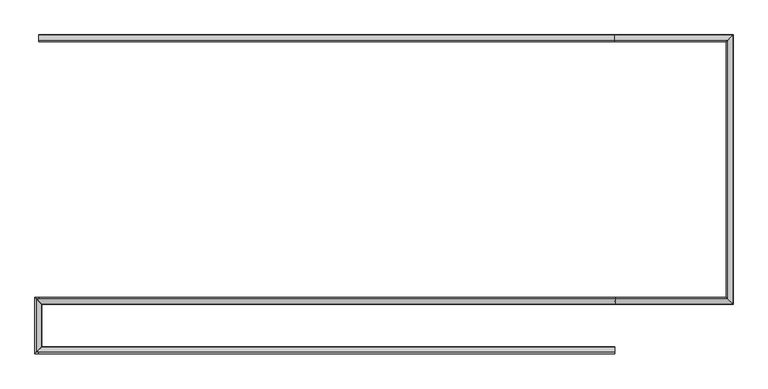
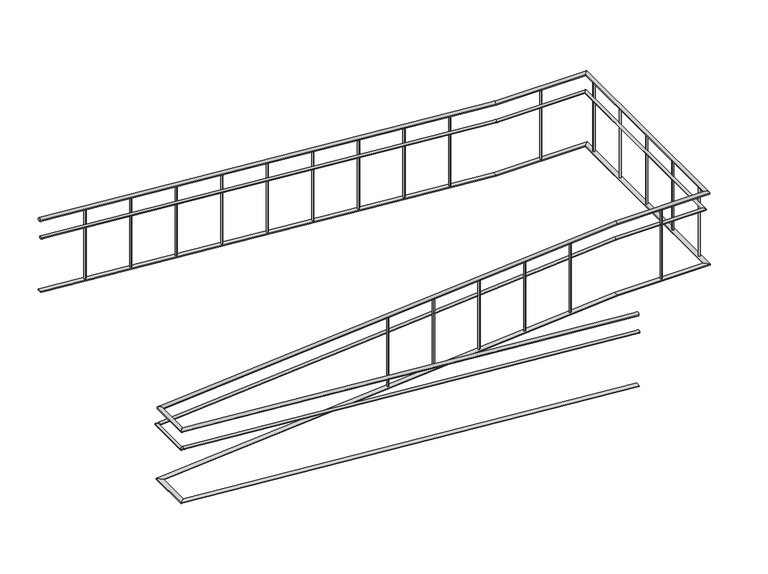
"""IFC4 building model written with IfcOpenShell, lengths in millimetres: railing geometry."""

import ifcopenshell
import ifcopenshell.guid

model = None  # the IFC model being written
_history = None  # IfcOwnerHistory: only IFC2X3 demands one
_inside = {}  # id of a spatial element -> (the spatial element, [elements in it])
_under = {}  # id of a project, library or spatial element -> (it, [spatial elements below it])
_declared = {}  # id of a project -> (the project, [libraries it declares])
_typed = {}  # id of a type object -> (the type object, [elements of that type])
_made_of = {}  # id of a material, layer set ... -> (it, [elements and type objects made of it])


def new_model(schema):
    """Start an empty IFC model of exactly this schema.

    Asked for "IFC4X3", IfcOpenShell would pick the latest addendum, in which some entities
    have other attributes; the version numbers below select the first issue.
    IFC2X3 requires an IfcOwnerHistory on every rooted entity: one is made here for all.
    """
    global model, _history
    if schema == "IFC4X3":
        model = ifcopenshell.file(schema_version=(4, 3, 0, 0))
    else:
        model = ifcopenshell.file(schema=schema)
    _inside.clear()
    _under.clear()
    _declared.clear()
    _typed.clear()
    _made_of.clear()
    _history = None
    if model.schema == "IFC2X3":
        org = make("IfcOrganization", Name="unknown")
        user = make(
            "IfcPersonAndOrganization",
            ThePerson=make("IfcPerson", FamilyName="unknown"),
            TheOrganization=org,
        )
        app = make(
            "IfcApplication",
            ApplicationDeveloper=org,
            Version="unknown",
            ApplicationFullName="unknown",
            ApplicationIdentifier="unknown",
        )
        _history = make(
            "IfcOwnerHistory",
            OwningUser=user,
            OwningApplication=app,
            ChangeAction="ADDED",
            CreationDate=0,
        )
    return model


def make(cls, **values):
    """One entity of the class cls with the attributes given. An attribute that is None is left unset."""
    return model.create_entity(
        cls, **{name: value for name, value in values.items() if value is not None}
    )


def rooted(cls, **values):
    """An entity with a GlobalId (a new one), such as an element, a storey or a relation."""
    return make(cls, GlobalId=ifcopenshell.guid.new(), OwnerHistory=_history, **values)


def si_unit(unit_type, name, prefix=None):
    """IfcSIUnit, for example si_unit("LENGTHUNIT", "METRE", prefix="MILLI")."""
    return make("IfcSIUnit", UnitType=unit_type, Prefix=prefix, Name=name)


def assignment(units):
    """IfcUnitAssignment: the units of a project."""
    return None if units is None else make("IfcUnitAssignment", Units=units)


def point(xyz):
    """IfcCartesianPoint."""
    return None if xyz is None else make("IfcCartesianPoint", Coordinates=xyz)


def direction(xyz):
    """IfcDirection."""
    return None if xyz is None else make("IfcDirection", DirectionRatios=xyz)


def frame(location, z_axis=None, x_axis=None):
    """IfcAxis2Placement3D, a coordinate frame: its origin and axes. An axis left out is left unset."""
    return make(
        "IfcAxis2Placement3D",
        Location=point(location),
        Axis=direction(z_axis),
        RefDirection=direction(x_axis),
    )


def frame_2d(location, x_axis=None):
    """IfcAxis2Placement2D, a coordinate frame in the plane: its origin and x axis."""
    return make(
        "IfcAxis2Placement2D", Location=point(location), RefDirection=direction(x_axis)
    )


def origin():
    """The frame at (0, 0, 0) with its axes left unset."""
    return frame((0.0, 0.0, 0.0))


def place(relative_to, where):
    """IfcLocalPlacement: puts the frame where relative to a parent placement (None: the world)."""
    return make(
        "IfcLocalPlacement", PlacementRelTo=relative_to, RelativePlacement=where
    )


def context(
    kind, dimensions, precision=None, world=None, true_north=None, identifier=None
):
    """IfcGeometricRepresentationContext, for example the 3D "Model" context."""
    return make(
        "IfcGeometricRepresentationContext",
        ContextIdentifier=identifier,
        ContextType=kind,
        CoordinateSpaceDimension=dimensions,
        Precision=precision,
        WorldCoordinateSystem=world,
        TrueNorth=true_north,
    )


def project(units=None, contexts=None):
    """IfcProject with its units and contexts."""
    return rooted(
        "IfcProject",
        Name="project",
        RepresentationContexts=contexts,
        UnitsInContext=assignment(units),
    )


def spatial(cls, under=None, at=None, **own):
    """A site, building, storey or space (cls), placed at a placement, below another one or the project."""
    s = rooted(cls, ObjectPlacement=at, **own)
    if under is not None:
        _under.setdefault(under.id(), (under, []))[1].append(s)
    return s


def circle_curve(where, radius):
    """IfcCircle in the frame where."""
    return make("IfcCircle", Position=where, Radius=radius)


def ellipse_curve(where, semi_axis1, semi_axis2):
    """IfcEllipse in the frame where."""
    return make(
        "IfcEllipse", Position=where, SemiAxis1=semi_axis1, SemiAxis2=semi_axis2
    )


def trimmed(basis, trim1, trim2, sense, master):
    """IfcTrimmedCurve: the piece of a basis curve between two trims."""
    return make(
        "IfcTrimmedCurve",
        BasisCurve=basis,
        Trim1=trim1,
        Trim2=trim2,
        SenseAgreement=sense,
        MasterRepresentation=master,
    )


def segment(curve, same_sense, transition):
    """IfcCompositeCurveSegment."""
    return make(
        "IfcCompositeCurveSegment",
        Transition=transition,
        SameSense=same_sense,
        ParentCurve=curve,
    )


def composite_curve(segments, self_intersect=None):
    """IfcCompositeCurve: segments joined end to end."""
    return make("IfcCompositeCurve", Segments=segments, SelfIntersect=self_intersect)


def outline(outer, holes=None, kind="AREA"):
    """IfcArbitraryClosedProfileDef: a profile drawn as a closed curve; with holes, ...WithVoids."""
    if holes is None:
        return make("IfcArbitraryClosedProfileDef", ProfileType=kind, OuterCurve=outer)
    return make(
        "IfcArbitraryProfileDefWithVoids",
        ProfileType=kind,
        OuterCurve=outer,
        InnerCurves=holes,
    )


def extrude(swept, where, along, depth):
    """IfcExtrudedAreaSolid: the profile swept, set in the frame where, extruded along a direction by depth."""
    return make(
        "IfcExtrudedAreaSolid",
        SweptArea=swept,
        Position=where,
        ExtrudedDirection=direction(along),
        Depth=depth,
    )


def faces_of(points, faces, orient=None, outer=None):
    """IfcFace entities. A face is a list of loops; a loop is a list of indices into points, from 0.

    orient and outer hold one flag for each loop. By default every Orientation is true, the
    first loop of a face is its IfcFaceOuterBound and the others are IfcFaceBound.
    """
    made = []
    for i, loops in enumerate(faces):
        bounds = []
        for j, loop in enumerate(loops):
            is_outer = j == 0 if outer is None else outer[i][j]
            bounds.append(
                make(
                    "IfcFaceOuterBound" if is_outer else "IfcFaceBound",
                    Bound=make("IfcPolyLoop", Polygon=[points[k] for k in loop]),
                    Orientation=True if orient is None else orient[i][j],
                )
            )
        made.append(make("IfcFace", Bounds=bounds))
    return made


def faceted_brep(points, faces, orient=None, outer=None, voids=None):
    """IfcFacetedBrep: a solid bounded by flat faces; with voids (closed shells), ...WithVoids."""
    shared = [point(p) for p in points]
    hull = make("IfcClosedShell", CfsFaces=faces_of(shared, faces, orient, outer))
    if voids is None:
        return make("IfcFacetedBrep", Outer=hull)
    return make(
        "IfcFacetedBrepWithVoids",
        Outer=hull,
        Voids=[
            make(cls, CfsFaces=faces_of(shared, fs, o, b)) for cls, fs, o, b in voids
        ],
    )


def shape(context_of_items, identifier, shape_type, items):
    """IfcShapeRepresentation: the items that make up one representation, for example the "Body"."""
    return make(
        "IfcShapeRepresentation",
        ContextOfItems=context_of_items,
        RepresentationIdentifier=identifier,
        RepresentationType=shape_type,
        Items=items,
    )


def source(mapping_origin, context_of_items, identifier, shape_type, items):
    """IfcRepresentationMap: a shape defined once, which mapped items show again and again."""
    return make(
        "IfcRepresentationMap",
        MappingOrigin=mapping_origin,
        MappedRepresentation=shape(context_of_items, identifier, shape_type, items),
    )


def transform(
    local_origin,
    x_axis=None,
    y_axis=None,
    z_axis=None,
    scale=None,
    scale2=None,
    scale3=None,
    uniform=True,
):
    """IfcCartesianTransformationOperator3D, or its non-uniform kind. x_axis, y_axis, z_axis: its Axis1, 2, 3."""
    if uniform:
        return make(
            "IfcCartesianTransformationOperator3D",
            Axis1=direction(x_axis),
            Axis2=direction(y_axis),
            LocalOrigin=point(local_origin),
            Scale=scale,
            Axis3=direction(z_axis),
        )
    return make(
        "IfcCartesianTransformationOperator3DnonUniform",
        Axis1=direction(x_axis),
        Axis2=direction(y_axis),
        LocalOrigin=point(local_origin),
        Scale=scale,
        Axis3=direction(z_axis),
        Scale2=scale2,
        Scale3=scale3,
    )


def mapped(mapping_source, mapping_target):
    """IfcMappedItem: shows the shape of a source again, moved by a transform."""
    return make(
        "IfcMappedItem", MappingSource=mapping_source, MappingTarget=mapping_target
    )


def made_of(thing, what):
    """Note that an element or type object is made of a material, layer set ...; save() writes the relation."""
    if what is not None:
        _made_of.setdefault(what.id(), (what, []))[1].append(thing)
    return thing


def element(
    cls,
    number,
    at=None,
    inside=None,
    cuts=None,
    type_object=None,
    material=None,
    context=None,
    identifier="Body",
    shape_type=None,
    held_by="IfcProductDefinitionShape",
    body=None,
    shapes=None,
    **own,
):
    """One element of the class cls, such as IfcWall. Its Tag is "e" and its number.

    at: its placement. inside: the storey or other place that contains it. cuts: it is an
    opening in that element (IfcRelVoidsElement). A single representation is given by context,
    identifier, shape_type and body (its items); several are given by shapes. held_by: the class
    of the entity that holds the representations. save() writes the other relations.
    """
    e = rooted(cls, Tag="e%d" % number, ObjectPlacement=at, **own)
    if body is not None:
        shapes = [shape(context, identifier, shape_type, body)]
    if shapes is not None:
        e.Representation = make(held_by, Representations=shapes)
    if inside is not None:
        _inside.setdefault(inside.id(), (inside, []))[1].append(e)
    if cuts is not None:
        rooted(
            "IfcRelVoidsElement", RelatingBuildingElement=cuts, RelatedOpeningElement=e
        )
    if type_object is not None:
        _typed.setdefault(type_object.id(), (type_object, []))[1].append(e)
    return made_of(e, material)


def aggregate(whole, parts):
    """IfcRelAggregates: a whole, such as a stair, and the parts it consists of."""
    return rooted("IfcRelAggregates", RelatingObject=whole, RelatedObjects=parts)


def save(model, path):
    """Write the relations noted so far, then the file.

    IfcRelAggregates (storeys below a building ...), IfcRelContainedInSpatialStructure (elements
    in a storey), IfcRelDefinesByType, IfcRelAssociatesMaterial and IfcRelDeclares: one each for
    every whole, place, type object, material and project.
    """
    for whole, parts in _under.values():
        aggregate(whole, parts)
    for where, things in _inside.values():
        rooted(
            "IfcRelContainedInSpatialStructure",
            RelatedElements=things,
            RelatingStructure=where,
        )
    for kind, things in _typed.values():
        rooted("IfcRelDefinesByType", RelatedObjects=things, RelatingType=kind)
    for what, things in _made_of.values():
        rooted("IfcRelAssociatesMaterial", RelatedObjects=things, RelatingMaterial=what)
    for by, libraries in _declared.values():
        rooted("IfcRelDeclares", RelatingContext=by, RelatedDefinitions=libraries)
    model.write(path)


def plane_surface(at):
    """IfcPlane: the flat surface through the origin of the frame at, square to its z axis."""
    return make("IfcPlane", Position=at)


def cylinder_surface(at, radius):
    """IfcCylindricalSurface: all points at the distance radius from the z axis of the frame at."""
    return make("IfcCylindricalSurface", Position=at, Radius=radius)


def advanced_brep(points, edges, surfaces, faces):
    """IfcAdvancedBrep: a solid bounded by faces that lie on surfaces and meet in shared edges.

    An edge is (start, end): straight between two places in points (the first is 0);
    or (start, end, curve); or (start, end, curve, False) where it runs against its curve.
    A face is (place in surfaces, loops), or (place, loops, False) where it looks against
    its surface's normal. A loop lists edges by number (the first is 1), with a minus sign
    where the edge is run from its end to its start. The first loop is the outer one.
    """
    corners = [point(p) for p in points]
    vertices = [make("IfcVertexPoint", VertexGeometry=c) for c in corners]
    made = []
    for start, end, *more in edges:
        made.append(
            make(
                "IfcEdgeCurve",
                EdgeStart=vertices[start],
                EdgeEnd=vertices[end],
                EdgeGeometry=more[0] if more else make("IfcPolyline", Points=[corners[start], corners[end]]),
                SameSense=more[1] if len(more) > 1 else True,
            )
        )
    hull = []
    for where, loops, *sense in faces:
        bounds = []
        for j, loop in enumerate(loops):
            ring = [make("IfcOrientedEdge", EdgeElement=made[abs(k) - 1], Orientation=k > 0) for k in loop]
            bounds.append(
                make(
                    "IfcFaceOuterBound" if j == 0 else "IfcFaceBound",
                    Bound=make("IfcEdgeLoop", EdgeList=ring),
                    Orientation=True,
                )
            )
        hull.append(make("IfcAdvancedFace", Bounds=bounds, FaceSurface=surfaces[where], SameSense=sense[0] if sense else True))
    return make("IfcAdvancedBrep", Outer=make("IfcClosedShell", CfsFaces=hull))


def railing_c0526a75(model_context):
    return source(origin(), model_context, "Body", "SolidModel", [
        advanced_brep(
        [(-20785.2208066, -20197.3113636, -320.0638979), (-20785.2208066, -20237.3113636, -320.0638979), (-25766.8794054, -20197.3113636, 78.46879), (-25806.7520166, -20237.3113636, 81.6585989)],
        [
            (0, 1, ellipse_curve(frame((-20785.2208066, -20217.3113636, -320.0638979), z_axis=(1.0, 0.0, 0.0), x_axis=(0.0, 0.0, -1.0)), 20.0638979, 20.0)),
            (1, 0, ellipse_curve(frame((-20785.2208066, -20217.3113636, -320.0638979), z_axis=(1.0, 0.0, 0.0), x_axis=(0.0, 0.0, -1.0)), 20.0638979, 20.0)),
            (2, 3, ellipse_curve(frame((-25786.815711, -20217.3113636, 80.0636944), z_axis=(-0.7048548430432531, 0.7071067811865457, 0.05638838744346014), x_axis=(0.7048548430432493, 0.7071067811865495, -0.056388387443460065)), 28.2842712, 20.0)),
            (3, 2, ellipse_curve(frame((-25786.815711, -20217.3113636, 80.0636944), z_axis=(-0.7048548430432531, 0.7071067811865457, 0.05638838744346014), x_axis=(0.7048548430432493, 0.7071067811865495, -0.056388387443460065)), 28.2842712, 20.0)),
            (1, 3),
            (2, 0),
        ],
        [
            plane_surface(frame((-20785.2208066, -20217.3113636, -300.0), z_axis=(1.0, 0.0, 0.0), x_axis=(0.0, -1.0, 0.0))),
            plane_surface(frame((-25785.2208066, -20217.3113636, 100.0), z_axis=(-0.7048548430432531, 0.7071067811865457, 0.05638838744346014), x_axis=(0.70935157026574, 0.7026242841491802, 0.05603092972083304))),
            cylinder_surface(frame((-20786.815711, -20217.3113636, -319.9363056), z_axis=(0.9968152785361251, 0.0, -0.07974522228289002), x_axis=(0.0, -1.0, 0.0)), 20.0),
        ],
        [
            (0, [[1, 2]]),
            (1, [[3, 4]]),
            (2, [[-2, 5, -3, 6]]),
            (2, [[-1, -6, -4, -5]]),
        ],
    ),
        advanced_brep(
        [(-25765.2208066, -20195.7801536, 80.0), (-25805.2208066, -20235.6527647, 80.0), (-25765.2208066, -19816.377555, 80.0), (-25805.2208066, -19776.5049439, 80.0)],
        [
            (0, 1, ellipse_curve(frame((-25785.2208066, -20215.7164591, 80.0), z_axis=(0.7048548430432531, -0.7071067811865457, -0.05638838744346014), x_axis=(-0.7048548430432493, -0.7071067811865495, 0.05638838744346004)), 28.2842712, 20.0)),
            (1, 0, ellipse_curve(frame((-25785.2208066, -20215.7164591, 80.0), z_axis=(0.7048548430432531, -0.7071067811865457, -0.05638838744346014), x_axis=(-0.7048548430432493, -0.7071067811865495, 0.05638838744346004)), 28.2842712, 20.0)),
            (2, 3, ellipse_curve(frame((-25785.2208066, -19796.4412495, 80.0), z_axis=(0.70485484304325, 0.7071067811865488, 0.05638838744346008), x_axis=(0.7048548430432525, -0.7071067811865462, 0.05638838744346007)), 28.2842712, 20.0)),
            (3, 2, ellipse_curve(frame((-25785.2208066, -19796.4412495, 80.0), z_axis=(0.70485484304325, 0.7071067811865488, 0.05638838744346008), x_axis=(0.7048548430432525, -0.7071067811865462, 0.05638838744346007)), 28.2842712, 20.0)),
            (1, 3),
            (2, 0),
        ],
        [
            plane_surface(frame((-25785.2208066, -20217.3113636, 100.0), z_axis=(0.7048548430432531, -0.7071067811865457, -0.05638838744346014), x_axis=(0.70935157026574, 0.7026242841491802, 0.05603092972083304))),
            plane_surface(frame((-25785.2208066, -19798.0361539, 100.0), z_axis=(0.70485484304325, 0.7071067811865488, 0.05638838744346008), x_axis=(0.7093515702657431, -0.7026242841491772, -0.05603092972083249))),
            cylinder_surface(frame((-25785.2208066, -20217.3113636, 80.0), z_axis=(0.0, -1.0, 0.0), x_axis=(-1.0, 0.0, 0.0)), 20.0),
        ],
        [
            (0, [[1, 2]]),
            (1, [[3, 4]]),
            (2, [[-2, 5, -3, 6]]),
            (2, [[-1, -6, -4, -5]]),
        ],
    ),
        advanced_brep(
        [(-25763.6895966, -19818.0361539, 81.6585989), (-25803.5622077, -19778.0361539, 78.46879), (-20784.4220825, -19778.0361539, 480.0), (-20784.4220825, -19818.0361539, 480.0), (-19805.2208066, -19778.0361539, 480.0), (-19765.2208066, -19818.0361539, 480.0), (-19805.2208066, -17526.8920513, 480.0), (-19765.2208066, -17486.8920513, 480.0), (-20786.0195307, -17526.8920513, 480.0), (-20786.0195307, -17486.8920513, 480.0), (-25785.2208066, -17486.8920513, 879.9361021), (-25785.2208066, -17526.8920513, 879.9361021)],
        [
            (0, 1, ellipse_curve(frame((-25783.6259021, -19798.0361539, 80.0636944), z_axis=(-0.70485484304325, -0.7071067811865488, -0.05638838744346008), x_axis=(-0.7048548430432522, 0.7071067811865465, -0.056388387443460086)), 28.2842712, 20.0)),
            (1, 0, ellipse_curve(frame((-25783.6259021, -19798.0361539, 80.0636944), z_axis=(-0.70485484304325, -0.7071067811865488, -0.05638838744346008), x_axis=(-0.7048548430432522, 0.7071067811865465, -0.056388387443460086)), 28.2842712, 20.0)),
            (1, 2),
            (2, 3, ellipse_curve(frame((-20784.4220825, -19798.0361539, 480.0), z_axis=(-0.9992035024298416, 0.0, -0.039904394895017514), x_axis=(0.039904394895016765, 0.0, -0.9992035024298418)), 20.0159426, 20.0)),
            (3, 0),
            (3, 2, ellipse_curve(frame((-20784.4220825, -19798.0361539, 480.0), z_axis=(-0.9992035024298416, 0.0, -0.039904394895017514), x_axis=(0.039904394895016765, 0.0, -0.9992035024298418)), 20.0159426, 20.0)),
            (2, 4),
            (4, 5, ellipse_curve(frame((-19785.2208066, -19798.0361539, 480.0), z_axis=(-0.7071067811865462, -0.7071067811865487, 0.0), x_axis=(-0.7071067811865488, 0.7071067811865461, 0.0)), 28.2842712, 20.0)),
            (5, 3),
            (5, 4, ellipse_curve(frame((-19785.2208066, -19798.0361539, 480.0), z_axis=(-0.7071067811865462, -0.7071067811865487, 0.0), x_axis=(-0.7071067811865488, 0.7071067811865461, 0.0)), 28.2842712, 20.0)),
            (4, 6),
            (6, 7, ellipse_curve(frame((-19785.2208066, -17506.8920513, 480.0), z_axis=(0.7071067811865487, -0.7071067811865462, 0.0), x_axis=(-0.7071067811865461, -0.7071067811865488, 0.0)), 28.2842712, 20.0)),
            (7, 5),
            (7, 6, ellipse_curve(frame((-19785.2208066, -17506.8920513, 480.0), z_axis=(0.7071067811865487, -0.7071067811865462, 0.0), x_axis=(-0.7071067811865461, -0.7071067811865488, 0.0)), 28.2842712, 20.0)),
            (6, 8),
            (8, 9, ellipse_curve(frame((-20786.0195307, -17506.8920513, 480.0), z_axis=(0.9992035024298416, 0.0, -0.039904394895017514), x_axis=(0.03990439489501955, 0.0, 0.9992035024298417)), 20.0159426, 20.0)),
            (9, 7),
            (9, 8, ellipse_curve(frame((-20786.0195307, -17506.8920513, 480.0), z_axis=(0.9992035024298416, 0.0, -0.039904394895017514), x_axis=(0.03990439489501955, 0.0, 0.9992035024298417)), 20.0159426, 20.0)),
            (10, 11, ellipse_curve(frame((-25785.2208066, -17506.8920513, 879.9361021), z_axis=(-1.0, 0.0, 0.0), x_axis=(0.0, 0.0, -1.0)), 20.0638979, 20.0)),
            (11, 10, ellipse_curve(frame((-25785.2208066, -17506.8920513, 879.9361021), z_axis=(-1.0, 0.0, 0.0), x_axis=(0.0, 0.0, -1.0)), 20.0638979, 20.0)),
            (8, 11),
            (10, 9),
        ],
        [
            plane_surface(frame((-25785.2208066, -19798.0361539, 100.0), z_axis=(-0.70485484304325, -0.7071067811865488, -0.05638838744346008), x_axis=(0.7093515702657431, -0.7026242841491772, -0.05603092972083249))),
            cylinder_surface(frame((-25783.6259021, -19798.0361539, 80.0636944), z_axis=(-0.9968152785361251, 0.0, -0.07974522228289), x_axis=(0.0, 1.0, 0.0)), 20.0),
            cylinder_surface(frame((-20785.2208066, -19798.0361539, 480.0), z_axis=(-1.0, 0.0, 0.0), x_axis=(0.0, 1.0, 0.0)), 20.0),
            cylinder_surface(frame((-19785.2208066, -19798.0361539, 480.0), z_axis=(0.0, -1.0, 0.0), x_axis=(-1.0, 0.0, 0.0)), 20.0),
            cylinder_surface(frame((-19785.2208066, -17506.8920513, 480.0), z_axis=(1.0, 0.0, 0.0), x_axis=(0.0, -1.0, 0.0)), 20.0),
            plane_surface(frame((-25785.2208066, -17506.8920513, 900.0), z_axis=(-1.0, 0.0, 0.0), x_axis=(0.0, -1.0, 0.0))),
            cylinder_surface(frame((-20786.815711, -17506.8920513, 480.0636944), z_axis=(0.9968152785361251, 0.0, -0.07974522228289), x_axis=(0.0, -1.0, 0.0)), 20.0),
        ],
        [
            (0, [[1, 2]]),
            (1, [[-2, 3, 4, 5]]),
            (1, [[-1, -5, 6, -3]]),
            (2, [[-4, 7, 8, 9]]),
            (2, [[-6, -9, 10, -7]]),
            (3, [[-8, 11, 12, 13]]),
            (3, [[-10, -13, 14, -11]]),
            (4, [[-12, 15, 16, 17]]),
            (4, [[-14, -17, 18, -15]]),
            (5, [[19, 20]]),
            (6, [[-16, 21, -19, 22]]),
            (6, [[-18, -22, -20, -21]]),
        ],
    ),
        advanced_brep(
        [(-20785.2208066, -20222.3113636, -515.0479234), (-20785.2208066, -20252.3113636, -515.0479234), (-25785.8198496, -20252.3113636, -115.0), (-25785.8198496, -20222.3113636, -115.0), (-25820.2208066, -20252.3113636, -115.0), (-25790.2208066, -20222.3113636, -115.0), (-25820.2208066, -19763.0361539, -115.0), (-25790.2208066, -19793.0361539, -115.0), (-25784.6217635, -19763.0361539, -115.0), (-25784.6217635, -19793.0361539, -115.0), (-20784.6217635, -19763.0361539, 285.0), (-20784.6217635, -19793.0361539, 285.0), (-19820.2208066, -19763.0361539, 285.0), (-19790.2208066, -19793.0361539, 285.0), (-19820.2208066, -17541.8920513, 285.0), (-19790.2208066, -17511.8920513, 285.0), (-20785.8198496, -17541.8920513, 285.0), (-20785.8198496, -17511.8920513, 285.0), (-25785.2208066, -17511.8920513, 684.9520766), (-25785.2208066, -17541.8920513, 684.9520766)],
        [
            (0, 1, ellipse_curve(frame((-20785.2208066, -20237.3113636, -515.0479234), z_axis=(1.0, 0.0, 0.0), x_axis=(0.0, 0.0, -1.0)), 15.0479234, 15.0)),
            (1, 0, ellipse_curve(frame((-20785.2208066, -20237.3113636, -515.0479234), z_axis=(1.0, 0.0, 0.0), x_axis=(0.0, 0.0, -1.0)), 15.0479234, 15.0)),
            (1, 2),
            (2, 3, ellipse_curve(frame((-25785.8198496, -20237.3113636, -115.0), z_axis=(0.9992035024298416, 0.0, -0.03990439489501753), x_axis=(-0.03990439489501675, 0.0, -0.9992035024298417)), 15.011957, 15.0)),
            (3, 0),
            (3, 2, ellipse_curve(frame((-25785.8198496, -20237.3113636, -115.0), z_axis=(0.9992035024298416, 0.0, -0.03990439489501753), x_axis=(-0.03990439489501675, 0.0, -0.9992035024298417)), 15.011957, 15.0)),
            (2, 4),
            (4, 5, ellipse_curve(frame((-25805.2208066, -20237.3113636, -115.0), z_axis=(0.7071067811865493, -0.7071067811865456, 0.0), x_axis=(0.7071067811865458, 0.7071067811865492, 0.0)), 21.2132034, 15.0)),
            (5, 3),
            (5, 4, ellipse_curve(frame((-25805.2208066, -20237.3113636, -115.0), z_axis=(0.7071067811865493, -0.7071067811865456, 0.0), x_axis=(0.7071067811865458, 0.7071067811865492, 0.0)), 21.2132034, 15.0)),
            (4, 6),
            (6, 7, ellipse_curve(frame((-25805.2208066, -19778.0361539, -115.0), z_axis=(-0.7071067811865462, -0.7071067811865487, 0.0), x_axis=(0.7071067811865486, -0.7071067811865464, 0.0)), 21.2132034, 15.0)),
            (7, 5),
            (7, 6, ellipse_curve(frame((-25805.2208066, -19778.0361539, -115.0), z_axis=(-0.7071067811865462, -0.7071067811865487, 0.0), x_axis=(0.7071067811865486, -0.7071067811865464, 0.0)), 21.2132034, 15.0)),
            (6, 8),
            (8, 9, ellipse_curve(frame((-25784.6217635, -19778.0361539, -115.0), z_axis=(-0.9992035024298416, 0.0, -0.039904394895017514), x_axis=(-0.03990439489501955, 0.0, 0.9992035024298417)), 15.011957, 15.0)),
            (9, 7),
            (9, 8, ellipse_curve(frame((-25784.6217635, -19778.0361539, -115.0), z_axis=(-0.9992035024298416, 0.0, -0.039904394895017514), x_axis=(-0.03990439489501955, 0.0, 0.9992035024298417)), 15.011957, 15.0)),
            (8, 10),
            (10, 11, ellipse_curve(frame((-20784.6217635, -19778.0361539, 285.0), z_axis=(-0.9992035024298416, 0.0, -0.039904394895017514), x_axis=(0.039904394895016765, 0.0, -0.9992035024298418)), 15.011957, 15.0)),
            (11, 9),
            (11, 10, ellipse_curve(frame((-20784.6217635, -19778.0361539, 285.0), z_axis=(-0.9992035024298416, 0.0, -0.039904394895017514), x_axis=(0.039904394895016765, 0.0, -0.9992035024298418)), 15.011957, 15.0)),
            (10, 12),
            (12, 13, ellipse_curve(frame((-19805.2208066, -19778.0361539, 285.0), z_axis=(-0.7071067811865462, -0.7071067811865487, 0.0), x_axis=(-0.7071067811865488, 0.7071067811865461, 0.0)), 21.2132034, 15.0)),
            (13, 11),
            (13, 12, ellipse_curve(frame((-19805.2208066, -19778.0361539, 285.0), z_axis=(-0.7071067811865462, -0.7071067811865487, 0.0), x_axis=(-0.7071067811865488, 0.7071067811865461, 0.0)), 21.2132034, 15.0)),
            (12, 14),
            (14, 15, ellipse_curve(frame((-19805.2208066, -17526.8920513, 285.0), z_axis=(0.7071067811865487, -0.7071067811865462, 0.0), x_axis=(-0.7071067811865461, -0.7071067811865488, 0.0)), 21.2132034, 15.0)),
            (15, 13),
            (15, 14, ellipse_curve(frame((-19805.2208066, -17526.8920513, 285.0), z_axis=(0.7071067811865487, -0.7071067811865462, 0.0), x_axis=(-0.7071067811865461, -0.7071067811865488, 0.0)), 21.2132034, 15.0)),
            (14, 16),
            (16, 17, ellipse_curve(frame((-20785.8198496, -17526.8920513, 285.0), z_axis=(0.9992035024298416, 0.0, -0.039904394895017514), x_axis=(0.03990439489501955, 0.0, 0.9992035024298417)), 15.011957, 15.0)),
            (17, 15),
            (17, 16, ellipse_curve(frame((-20785.8198496, -17526.8920513, 285.0), z_axis=(0.9992035024298416, 0.0, -0.039904394895017514), x_axis=(0.03990439489501955, 0.0, 0.9992035024298417)), 15.011957, 15.0)),
            (18, 19, ellipse_curve(frame((-25785.2208066, -17526.8920513, 684.9520766), z_axis=(-1.0, 0.0, 0.0), x_axis=(0.0, 0.0, -1.0)), 15.0479234, 15.0)),
            (19, 18, ellipse_curve(frame((-25785.2208066, -17526.8920513, 684.9520766), z_axis=(-1.0, 0.0, 0.0), x_axis=(0.0, 0.0, -1.0)), 15.0479234, 15.0)),
            (16, 19),
            (18, 17),
        ],
        [
            plane_surface(frame((-20785.2208066, -20237.3113636, -500.0), z_axis=(1.0, 0.0, 0.0), x_axis=(0.0, -1.0, 0.0))),
            cylinder_surface(frame((-20786.4169849, -20237.3113636, -514.9522292), z_axis=(0.9968152785361251, 0.0, -0.07974522228289002), x_axis=(0.0, -1.0, 0.0)), 15.0),
            cylinder_surface(frame((-25785.2208066, -20237.3113636, -115.0), z_axis=(1.0, 0.0, 0.0), x_axis=(0.0, -1.0, 0.0)), 15.0),
            cylinder_surface(frame((-25805.2208066, -20237.3113636, -115.0), z_axis=(0.0, -1.0, 0.0), x_axis=(-1.0, 0.0, 0.0)), 15.0),
            cylinder_surface(frame((-25805.2208066, -19778.0361539, -115.0), z_axis=(-1.0, 0.0, 0.0), x_axis=(0.0, 1.0, 0.0)), 15.0),
            cylinder_surface(frame((-25784.0246282, -19778.0361539, -114.9522292), z_axis=(-0.9968152785361251, 0.0, -0.07974522228289), x_axis=(0.0, 1.0, 0.0)), 15.0),
            cylinder_surface(frame((-20785.2208066, -19778.0361539, 285.0), z_axis=(-1.0, 0.0, 0.0), x_axis=(0.0, 1.0, 0.0)), 15.0),
            cylinder_surface(frame((-19805.2208066, -19778.0361539, 285.0), z_axis=(0.0, -1.0, 0.0), x_axis=(-1.0, 0.0, 0.0)), 15.0),
            cylinder_surface(frame((-19805.2208066, -17526.8920513, 285.0), z_axis=(1.0, 0.0, 0.0), x_axis=(0.0, -1.0, 0.0)), 15.0),
            plane_surface(frame((-25785.2208066, -17526.8920513, 700.0), z_axis=(-1.0, 0.0, 0.0), x_axis=(0.0, -1.0, 0.0))),
            cylinder_surface(frame((-20786.4169849, -17526.8920513, 285.0477708), z_axis=(0.9968152785361251, 0.0, -0.07974522228289), x_axis=(0.0, -1.0, 0.0)), 15.0),
        ],
        [
            (0, [[1, 2]]),
            (1, [[-2, 3, 4, 5]]),
            (1, [[-1, -5, 6, -3]]),
            (2, [[-4, 7, 8, 9]]),
            (2, [[-6, -9, 10, -7]]),
            (3, [[-8, 11, 12, 13]]),
            (3, [[-10, -13, 14, -11]]),
            (4, [[-12, 15, 16, 17]]),
            (4, [[-14, -17, 18, -15]]),
            (5, [[-16, 19, 20, 21]]),
            (5, [[-18, -21, 22, -19]]),
            (6, [[-20, 23, 24, 25]]),
            (6, [[-22, -25, 26, -23]]),
            (7, [[-24, 27, 28, 29]]),
            (7, [[-26, -29, 30, -27]]),
            (8, [[-28, 31, 32, 33]]),
            (8, [[-30, -33, 34, -31]]),
            (9, [[35, 36]]),
            (10, [[-32, 37, -35, 38]]),
            (10, [[-34, -38, -36, -37]]),
        ],
    ),
        faceted_brep([(-20785.2208066, -20242.3113636, -1140.0), (-20785.2208066, -20242.3113636, -1150.031949), (-20785.2208066, -20192.3113636, -1150.031949), (-20785.2208066, -20192.3113636, -1140.0), (-25810.1411885, -20242.3113636, -738.0063694), (-25760.3004246, -20192.3113636, -741.9936306), (-25761.0978768, -20192.3113636, -751.9617833), (-25810.9386408, -20242.3113636, -747.9745222)], [[[0, 1, 2, 3]], [[4, 5, 6, 7]], [[0, 3, 5, 4]], [[3, 2, 6, 5]], [[2, 1, 7, 6]], [[1, 0, 4, 7]]]),
        faceted_brep([(-25810.2208066, -20242.2317455, -740.0), (-25810.2208066, -20241.4342933, -750.0), (-25760.2208066, -20191.5935294, -750.0), (-25760.2208066, -20192.3909816, -740.0), (-25810.2208066, -19773.115772, -740.0), (-25760.2208066, -19822.9565359, -740.0), (-25760.2208066, -19822.1590837, -750.0), (-25810.2208066, -19772.3183197, -750.0)], [[[0, 1, 2, 3]], [[4, 5, 6, 7]], [[0, 3, 5, 4]], [[3, 2, 6, 5]], [[2, 1, 7, 6]], [[1, 0, 4, 7]]]),
        faceted_brep([(-25810.1411885, -19773.0361539, -741.9936306), (-25809.3437363, -19773.0361539, -751.9617833), (-25759.5029724, -19823.0361539, -747.9745222), (-25760.3004246, -19823.0361539, -738.0063694), (-20785.2208066, -19823.0361539, -340.0), (-20785.2208066, -19773.0361539, -340.0), (-20784.8214445, -19823.0361539, -350.0), (-20784.8214445, -19773.0361539, -350.0), (-19760.2208066, -19823.0361539, -340.0), (-19810.2208066, -19773.0361539, -340.0), (-19760.2208066, -19823.0361539, -350.0), (-19810.2208066, -19773.0361539, -350.0), (-19760.2208066, -17481.8920513, -340.0), (-19810.2208066, -17531.8920513, -340.0), (-19760.2208066, -17481.8920513, -350.0), (-19810.2208066, -17531.8920513, -350.0), (-20785.2208066, -17481.8920513, -340.0), (-20785.2208066, -17531.8920513, -340.0), (-20785.6201686, -17481.8920513, -350.0), (-20785.6201686, -17531.8920513, -350.0), (-25785.2208066, -17531.8920513, 60.0), (-25785.2208066, -17481.8920513, 60.0), (-25785.2208066, -17481.8920513, 49.968051), (-25785.2208066, -17531.8920513, 49.968051)], [[[0, 1, 2, 3]], [[0, 3, 4, 5]], [[3, 2, 6, 4]], [[2, 1, 7, 6]], [[1, 0, 5, 7]], [[5, 4, 8, 9]], [[4, 6, 10, 8]], [[6, 7, 11, 10]], [[7, 5, 9, 11]], [[9, 8, 12, 13]], [[8, 10, 14, 12]], [[10, 11, 15, 14]], [[11, 9, 13, 15]], [[13, 12, 16, 17]], [[12, 14, 18, 16]], [[14, 15, 19, 18]], [[15, 13, 17, 19]], [[20, 21, 22, 23]], [[17, 16, 21, 20]], [[16, 18, 22, 21]], [[18, 19, 23, 22]], [[19, 17, 20, 23]]]),
        advanced_brep(
        [(-25285.2208066, -17516.8920513, 819.8722041), (-25285.2208066, -17496.8920513, 819.8722041), (-25285.2208066, -17496.8920513, 20.0), (-25285.2208066, -17516.8920513, 20.0)],
        [
            (0, 1, ellipse_curve(frame((-25285.2208066, -17506.8920513, 819.8722041), z_axis=(-0.07974522228288877, 0.0, -0.9968152785361252), x_axis=(-0.9968152785361252, 0.0, 0.07974522228288722)), 10.031949, 10.0)),
            (1, 2),
            (2, 3, ellipse_curve(frame((-25285.2208066, -17506.8920513, 20.0), z_axis=(0.07974522228288976, 0.0, 0.9968152785361251), x_axis=(-0.9968152785361251, 0.0, 0.07974522228288902)), 10.031949, 10.0)),
            (3, 0),
            (3, 2, ellipse_curve(frame((-25285.2208066, -17506.8920513, 20.0), z_axis=(0.07974522228288976, 0.0, 0.9968152785361251), x_axis=(-0.9968152785361251, 0.0, 0.07974522228288902)), 10.031949, 10.0)),
            (1, 0, ellipse_curve(frame((-25285.2208066, -17506.8920513, 819.8722041), z_axis=(-0.07974522228288877, 0.0, -0.9968152785361252), x_axis=(-0.9968152785361252, 0.0, 0.07974522228288722)), 10.031949, 10.0)),
        ],
        [
            cylinder_surface(frame((-25285.2208066, -17506.8920513, -80.0), z_axis=(0.0, 0.0, 1.0), x_axis=(0.0, 1.0, 0.0)), 10.0),
            plane_surface(frame((-25305.2208066, -17486.8920513, 821.4722041), z_axis=(0.07974522228288877, 0.0, 0.9968152785361252), x_axis=(0.0, -1.0, 0.0))),
            plane_surface(frame((-25265.2208066, -17486.8920513, 18.4), z_axis=(-0.07974522228288976, 0.0, -0.9968152785361251), x_axis=(0.0, -1.0, 0.0))),
        ],
        [
            (0, [[1, 2, 3, 4]]),
            (0, [[5, -2, 6, -4]]),
            (1, [[-6, -1]]),
            (2, [[-5, -3]]),
        ],
    ),
        advanced_brep(
        [(-24785.2208066, -17516.8920513, 779.8722041), (-24785.2208066, -17496.8920513, 779.8722041), (-24785.2208066, -17496.8920513, -20.0), (-24785.2208066, -17516.8920513, -20.0)],
        [
            (0, 1, ellipse_curve(frame((-24785.2208066, -17506.8920513, 779.8722041), z_axis=(-0.07974522228288877, 0.0, -0.9968152785361252), x_axis=(-0.9968152785361252, 0.0, 0.07974522228288722)), 10.031949, 10.0)),
            (1, 2),
            (2, 3, ellipse_curve(frame((-24785.2208066, -17506.8920513, -20.0), z_axis=(0.07974522228288976, 0.0, 0.9968152785361251), x_axis=(-0.9968152785361251, 0.0, 0.07974522228288902)), 10.031949, 10.0)),
            (3, 0),
            (3, 2, ellipse_curve(frame((-24785.2208066, -17506.8920513, -20.0), z_axis=(0.07974522228288976, 0.0, 0.9968152785361251), x_axis=(-0.9968152785361251, 0.0, 0.07974522228288902)), 10.031949, 10.0)),
            (1, 0, ellipse_curve(frame((-24785.2208066, -17506.8920513, 779.8722041), z_axis=(-0.07974522228288877, 0.0, -0.9968152785361252), x_axis=(-0.9968152785361252, 0.0, 0.07974522228288722)), 10.031949, 10.0)),
        ],
        [
            cylinder_surface(frame((-24785.2208066, -17506.8920513, -120.0), z_axis=(0.0, 0.0, 1.0), x_axis=(0.0, 1.0, 0.0)), 10.0),
            plane_surface(frame((-24805.2208066, -17486.8920513, 781.4722041), z_axis=(0.07974522228288877, 0.0, 0.9968152785361252), x_axis=(0.0, -1.0, 0.0))),
            plane_surface(frame((-24765.2208066, -17486.8920513, -21.6), z_axis=(-0.07974522228288976, 0.0, -0.9968152785361251), x_axis=(0.0, -1.0, 0.0))),
        ],
        [
            (0, [[1, 2, 3, 4]]),
            (0, [[5, -2, 6, -4]]),
            (1, [[-6, -1]]),
            (2, [[-5, -3]]),
        ],
    ),
        advanced_brep(
        [(-24285.2208066, -17516.8920513, 739.8722041), (-24285.2208066, -17496.8920513, 739.8722041), (-24285.2208066, -17496.8920513, -60.0), (-24285.2208066, -17516.8920513, -60.0)],
        [
            (0, 1, ellipse_curve(frame((-24285.2208066, -17506.8920513, 739.8722041), z_axis=(-0.07974522228288877, 0.0, -0.9968152785361252), x_axis=(-0.9968152785361252, 0.0, 0.07974522228288722)), 10.031949, 10.0)),
            (1, 2),
            (2, 3, ellipse_curve(frame((-24285.2208066, -17506.8920513, -60.0), z_axis=(0.07974522228288976, 0.0, 0.9968152785361251), x_axis=(-0.9968152785361251, 0.0, 0.07974522228288902)), 10.031949, 10.0)),
            (3, 0),
            (3, 2, ellipse_curve(frame((-24285.2208066, -17506.8920513, -60.0), z_axis=(0.07974522228288976, 0.0, 0.9968152785361251), x_axis=(-0.9968152785361251, 0.0, 0.07974522228288902)), 10.031949, 10.0)),
            (1, 0, ellipse_curve(frame((-24285.2208066, -17506.8920513, 739.8722041), z_axis=(-0.07974522228288877, 0.0, -0.9968152785361252), x_axis=(-0.9968152785361252, 0.0, 0.07974522228288722)), 10.031949, 10.0)),
        ],
        [
            cylinder_surface(frame((-24285.2208066, -17506.8920513, -160.0), z_axis=(0.0, 0.0, 1.0), x_axis=(0.0, 1.0, 0.0)), 10.0),
            plane_surface(frame((-24305.2208066, -17486.8920513, 741.4722041), z_axis=(0.07974522228288877, 0.0, 0.9968152785361252), x_axis=(0.0, -1.0, 0.0))),
            plane_surface(frame((-24265.2208066, -17486.8920513, -61.6), z_axis=(-0.07974522228288976, 0.0, -0.9968152785361251), x_axis=(0.0, -1.0, 0.0))),
        ],
        [
            (0, [[1, 2, 3, 4]]),
            (0, [[5, -2, 6, -4]]),
            (1, [[-6, -1]]),
            (2, [[-5, -3]]),
        ],
    ),
        advanced_brep(
        [(-23785.2208066, -17516.8920513, 699.8722041), (-23785.2208066, -17496.8920513, 699.8722041), (-23785.2208066, -17496.8920513, -100.0), (-23785.2208066, -17516.8920513, -100.0)],
        [
            (0, 1, ellipse_curve(frame((-23785.2208066, -17506.8920513, 699.8722041), z_axis=(-0.07974522228288877, 0.0, -0.9968152785361252), x_axis=(-0.9968152785361252, 0.0, 0.07974522228288722)), 10.031949, 10.0)),
            (1, 2),
            (2, 3, ellipse_curve(frame((-23785.2208066, -17506.8920513, -100.0), z_axis=(0.07974522228288976, 0.0, 0.9968152785361251), x_axis=(-0.9968152785361251, 0.0, 0.07974522228288902)), 10.031949, 10.0)),
            (3, 0),
            (3, 2, ellipse_curve(frame((-23785.2208066, -17506.8920513, -100.0), z_axis=(0.07974522228288976, 0.0, 0.9968152785361251), x_axis=(-0.9968152785361251, 0.0, 0.07974522228288902)), 10.031949, 10.0)),
            (1, 0, ellipse_curve(frame((-23785.2208066, -17506.8920513, 699.8722041), z_axis=(-0.07974522228288877, 0.0, -0.9968152785361252), x_axis=(-0.9968152785361252, 0.0, 0.07974522228288722)), 10.031949, 10.0)),
        ],
        [
            cylinder_surface(frame((-23785.2208066, -17506.8920513, -200.0), z_axis=(0.0, 0.0, 1.0), x_axis=(0.0, 1.0, 0.0)), 10.0),
            plane_surface(frame((-23805.2208066, -17486.8920513, 701.4722041), z_axis=(0.07974522228288877, 0.0, 0.9968152785361252), x_axis=(0.0, -1.0, 0.0))),
            plane_surface(frame((-23765.2208066, -17486.8920513, -101.6), z_axis=(-0.07974522228288976, 0.0, -0.9968152785361251), x_axis=(0.0, -1.0, 0.0))),
        ],
        [
            (0, [[1, 2, 3, 4]]),
            (0, [[5, -2, 6, -4]]),
            (1, [[-6, -1]]),
            (2, [[-5, -3]]),
        ],
    ),
        advanced_brep(
        [(-23285.2208066, -17516.8920513, 659.8722041), (-23285.2208066, -17496.8920513, 659.8722041), (-23285.2208066, -17496.8920513, -140.0), (-23285.2208066, -17516.8920513, -140.0)],
        [
            (0, 1, ellipse_curve(frame((-23285.2208066, -17506.8920513, 659.8722041), z_axis=(-0.07974522228288877, 0.0, -0.9968152785361252), x_axis=(-0.9968152785361252, 0.0, 0.07974522228288722)), 10.031949, 10.0)),
            (1, 2),
            (2, 3, ellipse_curve(frame((-23285.2208066, -17506.8920513, -140.0), z_axis=(0.07974522228288976, 0.0, 0.9968152785361251), x_axis=(-0.9968152785361251, 0.0, 0.07974522228288902)), 10.031949, 10.0)),
            (3, 0),
            (3, 2, ellipse_curve(frame((-23285.2208066, -17506.8920513, -140.0), z_axis=(0.07974522228288976, 0.0, 0.9968152785361251), x_axis=(-0.9968152785361251, 0.0, 0.07974522228288902)), 10.031949, 10.0)),
            (1, 0, ellipse_curve(frame((-23285.2208066, -17506.8920513, 659.8722041), z_axis=(-0.07974522228288877, 0.0, -0.9968152785361252), x_axis=(-0.9968152785361252, 0.0, 0.07974522228288722)), 10.031949, 10.0)),
        ],
        [
            cylinder_surface(frame((-23285.2208066, -17506.8920513, -240.0), z_axis=(0.0, 0.0, 1.0), x_axis=(0.0, 1.0, 0.0)), 10.0),
            plane_surface(frame((-23305.2208066, -17486.8920513, 661.4722041), z_axis=(0.07974522228288877, 0.0, 0.9968152785361252), x_axis=(0.0, -1.0, 0.0))),
            plane_surface(frame((-23265.2208066, -17486.8920513, -141.6), z_axis=(-0.07974522228288976, 0.0, -0.9968152785361251), x_axis=(0.0, -1.0, 0.0))),
        ],
        [
            (0, [[1, 2, 3, 4]]),
            (0, [[5, -2, 6, -4]]),
            (1, [[-6, -1]]),
            (2, [[-5, -3]]),
        ],
    ),
        advanced_brep(
        [(-22785.2208066, -17516.8920513, 619.8722041), (-22785.2208066, -17496.8920513, 619.8722041), (-22785.2208066, -17496.8920513, -180.0), (-22785.2208066, -17516.8920513, -180.0)],
        [
            (0, 1, ellipse_curve(frame((-22785.2208066, -17506.8920513, 619.8722041), z_axis=(-0.07974522228288877, 0.0, -0.9968152785361252), x_axis=(-0.9968152785361252, 0.0, 0.07974522228288722)), 10.031949, 10.0)),
            (1, 2),
            (2, 3, ellipse_curve(frame((-22785.2208066, -17506.8920513, -180.0), z_axis=(0.07974522228288976, 0.0, 0.9968152785361251), x_axis=(-0.9968152785361251, 0.0, 0.07974522228288902)), 10.031949, 10.0)),
            (3, 0),
            (3, 2, ellipse_curve(frame((-22785.2208066, -17506.8920513, -180.0), z_axis=(0.07974522228288976, 0.0, 0.9968152785361251), x_axis=(-0.9968152785361251, 0.0, 0.07974522228288902)), 10.031949, 10.0)),
            (1, 0, ellipse_curve(frame((-22785.2208066, -17506.8920513, 619.8722041), z_axis=(-0.07974522228288877, 0.0, -0.9968152785361252), x_axis=(-0.9968152785361252, 0.0, 0.07974522228288722)), 10.031949, 10.0)),
        ],
        [
            cylinder_surface(frame((-22785.2208066, -17506.8920513, -280.0), z_axis=(0.0, 0.0, 1.0), x_axis=(0.0, 1.0, 0.0)), 10.0),
            plane_surface(frame((-22805.2208066, -17486.8920513, 621.4722041), z_axis=(0.07974522228288877, 0.0, 0.9968152785361252), x_axis=(0.0, -1.0, 0.0))),
            plane_surface(frame((-22765.2208066, -17486.8920513, -181.6), z_axis=(-0.07974522228288976, 0.0, -0.9968152785361251), x_axis=(0.0, -1.0, 0.0))),
        ],
        [
            (0, [[1, 2, 3, 4]]),
            (0, [[5, -2, 6, -4]]),
            (1, [[-6, -1]]),
            (2, [[-5, -3]]),
        ],
    ),
        advanced_brep(
        [(-22285.2208066, -17516.8920513, 579.8722041), (-22285.2208066, -17496.8920513, 579.8722041), (-22285.2208066, -17496.8920513, -220.0), (-22285.2208066, -17516.8920513, -220.0)],
        [
            (0, 1, ellipse_curve(frame((-22285.2208066, -17506.8920513, 579.8722041), z_axis=(-0.07974522228288877, 0.0, -0.9968152785361252), x_axis=(-0.9968152785361252, 0.0, 0.07974522228288722)), 10.031949, 10.0)),
            (1, 2),
            (2, 3, ellipse_curve(frame((-22285.2208066, -17506.8920513, -220.0), z_axis=(0.07974522228288976, 0.0, 0.9968152785361251), x_axis=(-0.9968152785361251, 0.0, 0.07974522228288902)), 10.031949, 10.0)),
            (3, 0),
            (3, 2, ellipse_curve(frame((-22285.2208066, -17506.8920513, -220.0), z_axis=(0.07974522228288976, 0.0, 0.9968152785361251), x_axis=(-0.9968152785361251, 0.0, 0.07974522228288902)), 10.031949, 10.0)),
            (1, 0, ellipse_curve(frame((-22285.2208066, -17506.8920513, 579.8722041), z_axis=(-0.07974522228288877, 0.0, -0.9968152785361252), x_axis=(-0.9968152785361252, 0.0, 0.07974522228288722)), 10.031949, 10.0)),
        ],
        [
            cylinder_surface(frame((-22285.2208066, -17506.8920513, -320.0), z_axis=(0.0, 0.0, 1.0), x_axis=(0.0, 1.0, 0.0)), 10.0),
            plane_surface(frame((-22305.2208066, -17486.8920513, 581.4722041), z_axis=(0.07974522228288877, 0.0, 0.9968152785361252), x_axis=(0.0, -1.0, 0.0))),
            plane_surface(frame((-22265.2208066, -17486.8920513, -221.6), z_axis=(-0.07974522228288976, 0.0, -0.9968152785361251), x_axis=(0.0, -1.0, 0.0))),
        ],
        [
            (0, [[1, 2, 3, 4]]),
            (0, [[5, -2, 6, -4]]),
            (1, [[-6, -1]]),
            (2, [[-5, -3]]),
        ],
    ),
        advanced_brep(
        [(-21785.2208066, -17516.8920513, 539.8722041), (-21785.2208066, -17496.8920513, 539.8722041), (-21785.2208066, -17496.8920513, -260.0), (-21785.2208066, -17516.8920513, -260.0)],
        [
            (0, 1, ellipse_curve(frame((-21785.2208066, -17506.8920513, 539.8722041), z_axis=(-0.07974522228288877, 0.0, -0.9968152785361252), x_axis=(-0.9968152785361252, 0.0, 0.07974522228288722)), 10.031949, 10.0)),
            (1, 2),
            (2, 3, ellipse_curve(frame((-21785.2208066, -17506.8920513, -260.0), z_axis=(0.07974522228288976, 0.0, 0.9968152785361251), x_axis=(-0.9968152785361251, 0.0, 0.07974522228288902)), 10.031949, 10.0)),
            (3, 0),
            (3, 2, ellipse_curve(frame((-21785.2208066, -17506.8920513, -260.0), z_axis=(0.07974522228288976, 0.0, 0.9968152785361251), x_axis=(-0.9968152785361251, 0.0, 0.07974522228288902)), 10.031949, 10.0)),
            (1, 0, ellipse_curve(frame((-21785.2208066, -17506.8920513, 539.8722041), z_axis=(-0.07974522228288877, 0.0, -0.9968152785361252), x_axis=(-0.9968152785361252, 0.0, 0.07974522228288722)), 10.031949, 10.0)),
        ],
        [
            cylinder_surface(frame((-21785.2208066, -17506.8920513, -360.0), z_axis=(0.0, 0.0, 1.0), x_axis=(0.0, 1.0, 0.0)), 10.0),
            plane_surface(frame((-21805.2208066, -17486.8920513, 541.4722041), z_axis=(0.07974522228288877, 0.0, 0.9968152785361252), x_axis=(0.0, -1.0, 0.0))),
            plane_surface(frame((-21765.2208066, -17486.8920513, -261.6), z_axis=(-0.07974522228288976, 0.0, -0.9968152785361251), x_axis=(0.0, -1.0, 0.0))),
        ],
        [
            (0, [[1, 2, 3, 4]]),
            (0, [[5, -2, 6, -4]]),
            (1, [[-6, -1]]),
            (2, [[-5, -3]]),
        ],
    ),
        advanced_brep(
        [(-21285.2208066, -17516.8920513, 499.8722041), (-21285.2208066, -17496.8920513, 499.8722041), (-21285.2208066, -17496.8920513, -300.0), (-21285.2208066, -17516.8920513, -300.0)],
        [
            (0, 1, ellipse_curve(frame((-21285.2208066, -17506.8920513, 499.8722041), z_axis=(-0.07974522228288877, 0.0, -0.9968152785361252), x_axis=(-0.9968152785361252, 0.0, 0.07974522228288722)), 10.031949, 10.0)),
            (1, 2),
            (2, 3, ellipse_curve(frame((-21285.2208066, -17506.8920513, -300.0), z_axis=(0.07974522228288976, 0.0, 0.9968152785361251), x_axis=(-0.9968152785361251, 0.0, 0.07974522228288902)), 10.031949, 10.0)),
            (3, 0),
            (3, 2, ellipse_curve(frame((-21285.2208066, -17506.8920513, -300.0), z_axis=(0.07974522228288976, 0.0, 0.9968152785361251), x_axis=(-0.9968152785361251, 0.0, 0.07974522228288902)), 10.031949, 10.0)),
            (1, 0, ellipse_curve(frame((-21285.2208066, -17506.8920513, 499.8722041), z_axis=(-0.07974522228288877, 0.0, -0.9968152785361252), x_axis=(-0.9968152785361252, 0.0, 0.07974522228288722)), 10.031949, 10.0)),
        ],
        [
            cylinder_surface(frame((-21285.2208066, -17506.8920513, -400.0), z_axis=(0.0, 0.0, 1.0), x_axis=(0.0, 1.0, 0.0)), 10.0),
            plane_surface(frame((-21305.2208066, -17486.8920513, 501.4722041), z_axis=(0.07974522228288877, 0.0, 0.9968152785361252), x_axis=(0.0, -1.0, 0.0))),
            plane_surface(frame((-21265.2208066, -17486.8920513, -301.6), z_axis=(-0.07974522228288976, 0.0, -0.9968152785361251), x_axis=(0.0, -1.0, 0.0))),
        ],
        [
            (0, [[1, 2, 3, 4]]),
            (0, [[5, -2, 6, -4]]),
            (1, [[-6, -1]]),
            (2, [[-5, -3]]),
        ],
    ),
        extrude(outline(composite_curve([segment(trimmed(circle_curve(frame_2d((-20285.2208066, -17506.8920513)), 10.0), [point((-20285.2208066, -17496.8920513))], [point((-20285.2208066, -17516.8920513))], False, "CARTESIAN"), True, "CONTINUOUS"), segment(trimmed(circle_curve(frame_2d((-20285.2208066, -17506.8920513)), 10.0), [point((-20285.2208066, -17516.8920513))], [point((-20285.2208066, -17496.8920513))], False, "CARTESIAN"), True, "CONTINUOUS")], self_intersect=False)), frame((0.0, 0.0, -340.0), z_axis=(0.0, 0.0, 1.0), x_axis=(1.0, 0.0, 0.0)), (0.0, 0.0, 1.0), 800.0),
        extrude(outline(composite_curve([segment(trimmed(circle_curve(frame_2d((-19785.2208066, -17652.4641026)), 10.0), [point((-19775.2208066, -17652.4641026))], [point((-19795.2208066, -17652.4641026))], False, "CARTESIAN"), True, "CONTINUOUS"), segment(trimmed(circle_curve(frame_2d((-19785.2208066, -17652.4641026)), 10.0), [point((-19795.2208066, -17652.4641026))], [point((-19775.2208066, -17652.4641026))], False, "CARTESIAN"), True, "CONTINUOUS")], self_intersect=False)), frame((0.0, 0.0, -340.0), z_axis=(0.0, 0.0, 1.0), x_axis=(1.0, 0.0, 0.0)), (0.0, 0.0, 1.0), 800.0),
        extrude(outline(composite_curve([segment(trimmed(circle_curve(frame_2d((-19785.2208066, -18152.4641026)), 10.0), [point((-19775.2208066, -18152.4641026))], [point((-19795.2208066, -18152.4641026))], False, "CARTESIAN"), True, "CONTINUOUS"), segment(trimmed(circle_curve(frame_2d((-19785.2208066, -18152.4641026)), 10.0), [point((-19795.2208066, -18152.4641026))], [point((-19775.2208066, -18152.4641026))], False, "CARTESIAN"), True, "CONTINUOUS")], self_intersect=False)), frame((0.0, 0.0, -340.0), z_axis=(0.0, 0.0, 1.0), x_axis=(1.0, 0.0, 0.0)), (0.0, 0.0, 1.0), 800.0),
        extrude(outline(composite_curve([segment(trimmed(circle_curve(frame_2d((-19785.2208066, -18652.4641026)), 10.0), [point((-19775.2208066, -18652.4641026))], [point((-19795.2208066, -18652.4641026))], False, "CARTESIAN"), True, "CONTINUOUS"), segment(trimmed(circle_curve(frame_2d((-19785.2208066, -18652.4641026)), 10.0), [point((-19795.2208066, -18652.4641026))], [point((-19775.2208066, -18652.4641026))], False, "CARTESIAN"), True, "CONTINUOUS")], self_intersect=False)), frame((0.0, 0.0, -340.0), z_axis=(0.0, 0.0, 1.0), x_axis=(1.0, 0.0, 0.0)), (0.0, 0.0, 1.0), 800.0),
        extrude(outline(composite_curve([segment(trimmed(circle_curve(frame_2d((-19785.2208066, -19152.4641026)), 10.0), [point((-19775.2208066, -19152.4641026))], [point((-19795.2208066, -19152.4641026))], False, "CARTESIAN"), True, "CONTINUOUS"), segment(trimmed(circle_curve(frame_2d((-19785.2208066, -19152.4641026)), 10.0), [point((-19795.2208066, -19152.4641026))], [point((-19775.2208066, -19152.4641026))], False, "CARTESIAN"), True, "CONTINUOUS")], self_intersect=False)), frame((0.0, 0.0, -340.0), z_axis=(0.0, 0.0, 1.0), x_axis=(1.0, 0.0, 0.0)), (0.0, 0.0, 1.0), 800.0),
        extrude(outline(composite_curve([segment(trimmed(circle_curve(frame_2d((-19785.2208066, -19652.4641026)), 10.0), [point((-19775.2208066, -19652.4641026))], [point((-19795.2208066, -19652.4641026))], False, "CARTESIAN"), True, "CONTINUOUS"), segment(trimmed(circle_curve(frame_2d((-19785.2208066, -19652.4641026)), 10.0), [point((-19795.2208066, -19652.4641026))], [point((-19775.2208066, -19652.4641026))], False, "CARTESIAN"), True, "CONTINUOUS")], self_intersect=False)), frame((0.0, 0.0, -340.0), z_axis=(0.0, 0.0, 1.0), x_axis=(1.0, 0.0, 0.0)), (0.0, 0.0, 1.0), 800.0),
        extrude(outline(composite_curve([segment(trimmed(circle_curve(frame_2d((-20285.2208066, -19798.0361539)), 10.0), [point((-20285.2208066, -19808.0361539))], [point((-20285.2208066, -19788.0361539))], False, "CARTESIAN"), True, "CONTINUOUS"), segment(trimmed(circle_curve(frame_2d((-20285.2208066, -19798.0361539)), 10.0), [point((-20285.2208066, -19788.0361539))], [point((-20285.2208066, -19808.0361539))], False, "CARTESIAN"), True, "CONTINUOUS")], self_intersect=False)), frame((0.0, 0.0, -340.0), z_axis=(0.0, 0.0, 1.0), x_axis=(1.0, 0.0, 0.0)), (0.0, 0.0, 1.0), 800.0),
        advanced_brep(
        [(-21285.2208066, -19788.0361539, 419.8722041), (-21285.2208066, -19808.0361539, 419.8722041), (-21285.2208066, -19808.0361539, -380.0), (-21285.2208066, -19788.0361539, -380.0)],
        [
            (0, 1, ellipse_curve(frame((-21285.2208066, -19798.0361539, 419.8722041), z_axis=(0.07974522228288877, 0.0, -0.9968152785361252), x_axis=(0.9968152785361252, 0.0, 0.07974522228288722)), 10.031949, 10.0)),
            (1, 2),
            (2, 3, ellipse_curve(frame((-21285.2208066, -19798.0361539, -380.0), z_axis=(-0.07974522228288976, 0.0, 0.9968152785361251), x_axis=(0.9968152785361251, 0.0, 0.07974522228288902)), 10.031949, 10.0)),
            (3, 0),
            (3, 2, ellipse_curve(frame((-21285.2208066, -19798.0361539, -380.0), z_axis=(-0.07974522228288976, 0.0, 0.9968152785361251), x_axis=(0.9968152785361251, 0.0, 0.07974522228288902)), 10.031949, 10.0)),
            (1, 0, ellipse_curve(frame((-21285.2208066, -19798.0361539, 419.8722041), z_axis=(0.07974522228288877, 0.0, -0.9968152785361252), x_axis=(0.9968152785361252, 0.0, 0.07974522228288722)), 10.031949, 10.0)),
        ],
        [
            cylinder_surface(frame((-21285.2208066, -19798.0361539, -480.0), z_axis=(0.0, 0.0, 1.0), x_axis=(0.0, -1.0, 0.0)), 10.0),
            plane_surface(frame((-21265.2208066, -19818.0361539, 421.4722041), z_axis=(-0.07974522228288877, 0.0, 0.9968152785361252), x_axis=(0.0, 1.0, 0.0))),
            plane_surface(frame((-21305.2208066, -19818.0361539, -381.6), z_axis=(0.07974522228288976, 0.0, -0.9968152785361251), x_axis=(0.0, 1.0, 0.0))),
        ],
        [
            (0, [[1, 2, 3, 4]]),
            (0, [[5, -2, 6, -4]]),
            (1, [[-6, -1]]),
            (2, [[-5, -3]]),
        ],
    ),
        advanced_brep(
        [(-21785.2208066, -19788.0361539, 379.8722041), (-21785.2208066, -19808.0361539, 379.8722041), (-21785.2208066, -19808.0361539, -420.0), (-21785.2208066, -19788.0361539, -420.0)],
        [
            (0, 1, ellipse_curve(frame((-21785.2208066, -19798.0361539, 379.8722041), z_axis=(0.07974522228288877, 0.0, -0.9968152785361252), x_axis=(0.9968152785361252, 0.0, 0.07974522228288722)), 10.031949, 10.0)),
            (1, 2),
            (2, 3, ellipse_curve(frame((-21785.2208066, -19798.0361539, -420.0), z_axis=(-0.07974522228288976, 0.0, 0.9968152785361251), x_axis=(0.9968152785361251, 0.0, 0.07974522228288902)), 10.031949, 10.0)),
            (3, 0),
            (3, 2, ellipse_curve(frame((-21785.2208066, -19798.0361539, -420.0), z_axis=(-0.07974522228288976, 0.0, 0.9968152785361251), x_axis=(0.9968152785361251, 0.0, 0.07974522228288902)), 10.031949, 10.0)),
            (1, 0, ellipse_curve(frame((-21785.2208066, -19798.0361539, 379.8722041), z_axis=(0.07974522228288877, 0.0, -0.9968152785361252), x_axis=(0.9968152785361252, 0.0, 0.07974522228288722)), 10.031949, 10.0)),
        ],
        [
            cylinder_surface(frame((-21785.2208066, -19798.0361539, -520.0), z_axis=(0.0, 0.0, 1.0), x_axis=(0.0, -1.0, 0.0)), 10.0),
            plane_surface(frame((-21765.2208066, -19818.0361539, 381.4722041), z_axis=(-0.07974522228288877, 0.0, 0.9968152785361252), x_axis=(0.0, 1.0, 0.0))),
            plane_surface(frame((-21805.2208066, -19818.0361539, -421.6), z_axis=(0.07974522228288976, 0.0, -0.9968152785361251), x_axis=(0.0, 1.0, 0.0))),
        ],
        [
            (0, [[1, 2, 3, 4]]),
            (0, [[5, -2, 6, -4]]),
            (1, [[-6, -1]]),
            (2, [[-5, -3]]),
        ],
    ),
        advanced_brep(
        [(-22285.2208066, -19788.0361539, 339.8722041), (-22285.2208066, -19808.0361539, 339.8722041), (-22285.2208066, -19808.0361539, -460.0), (-22285.2208066, -19788.0361539, -460.0)],
        [
            (0, 1, ellipse_curve(frame((-22285.2208066, -19798.0361539, 339.8722041), z_axis=(0.07974522228288877, 0.0, -0.9968152785361252), x_axis=(0.9968152785361252, 0.0, 0.07974522228288722)), 10.031949, 10.0)),
            (1, 2),
            (2, 3, ellipse_curve(frame((-22285.2208066, -19798.0361539, -460.0), z_axis=(-0.07974522228288976, 0.0, 0.9968152785361251), x_axis=(0.9968152785361251, 0.0, 0.07974522228288902)), 10.031949, 10.0)),
            (3, 0),
            (3, 2, ellipse_curve(frame((-22285.2208066, -19798.0361539, -460.0), z_axis=(-0.07974522228288976, 0.0, 0.9968152785361251), x_axis=(0.9968152785361251, 0.0, 0.07974522228288902)), 10.031949, 10.0)),
            (1, 0, ellipse_curve(frame((-22285.2208066, -19798.0361539, 339.8722041), z_axis=(0.07974522228288877, 0.0, -0.9968152785361252), x_axis=(0.9968152785361252, 0.0, 0.07974522228288722)), 10.031949, 10.0)),
        ],
        [
            cylinder_surface(frame((-22285.2208066, -19798.0361539, -560.0), z_axis=(0.0, 0.0, 1.0), x_axis=(0.0, -1.0, 0.0)), 10.0),
            plane_surface(frame((-22265.2208066, -19818.0361539, 341.4722041), z_axis=(-0.07974522228288877, 0.0, 0.9968152785361252), x_axis=(0.0, 1.0, 0.0))),
            plane_surface(frame((-22305.2208066, -19818.0361539, -461.6), z_axis=(0.07974522228288976, 0.0, -0.9968152785361251), x_axis=(0.0, 1.0, 0.0))),
        ],
        [
            (0, [[1, 2, 3, 4]]),
            (0, [[5, -2, 6, -4]]),
            (1, [[-6, -1]]),
            (2, [[-5, -3]]),
        ],
    ),
        advanced_brep(
        [(-22785.2208066, -19788.0361539, 299.8722041), (-22785.2208066, -19808.0361539, 299.8722041), (-22785.2208066, -19808.0361539, -500.0), (-22785.2208066, -19788.0361539, -500.0)],
        [
            (0, 1, ellipse_curve(frame((-22785.2208066, -19798.0361539, 299.8722041), z_axis=(0.07974522228288877, 0.0, -0.9968152785361252), x_axis=(0.9968152785361252, 0.0, 0.07974522228288722)), 10.031949, 10.0)),
            (1, 2),
            (2, 3, ellipse_curve(frame((-22785.2208066, -19798.0361539, -500.0), z_axis=(-0.07974522228288976, 0.0, 0.9968152785361251), x_axis=(0.9968152785361251, 0.0, 0.07974522228288902)), 10.031949, 10.0)),
            (3, 0),
            (3, 2, ellipse_curve(frame((-22785.2208066, -19798.0361539, -500.0), z_axis=(-0.07974522228288976, 0.0, 0.9968152785361251), x_axis=(0.9968152785361251, 0.0, 0.07974522228288902)), 10.031949, 10.0)),
            (1, 0, ellipse_curve(frame((-22785.2208066, -19798.0361539, 299.8722041), z_axis=(0.07974522228288877, 0.0, -0.9968152785361252), x_axis=(0.9968152785361252, 0.0, 0.07974522228288722)), 10.031949, 10.0)),
        ],
        [
            cylinder_surface(frame((-22785.2208066, -19798.0361539, -600.0), z_axis=(0.0, 0.0, 1.0), x_axis=(0.0, -1.0, 0.0)), 10.0),
            plane_surface(frame((-22765.2208066, -19818.0361539, 301.4722041), z_axis=(-0.07974522228288877, 0.0, 0.9968152785361252), x_axis=(0.0, 1.0, 0.0))),
            plane_surface(frame((-22805.2208066, -19818.0361539, -501.6), z_axis=(0.07974522228288976, 0.0, -0.9968152785361251), x_axis=(0.0, 1.0, 0.0))),
        ],
        [
            (0, [[1, 2, 3, 4]]),
            (0, [[5, -2, 6, -4]]),
            (1, [[-6, -1]]),
            (2, [[-5, -3]]),
        ],
    ),
        advanced_brep(
        [(-23285.2208066, -19788.0361539, 259.8722041), (-23285.2208066, -19808.0361539, 259.8722041), (-23285.2208066, -19808.0361539, -540.0), (-23285.2208066, -19788.0361539, -540.0)],
        [
            (0, 1, ellipse_curve(frame((-23285.2208066, -19798.0361539, 259.8722041), z_axis=(0.07974522228288877, 0.0, -0.9968152785361252), x_axis=(0.9968152785361252, 0.0, 0.07974522228288722)), 10.031949, 10.0)),
            (1, 2),
            (2, 3, ellipse_curve(frame((-23285.2208066, -19798.0361539, -540.0), z_axis=(-0.07974522228288976, 0.0, 0.9968152785361251), x_axis=(0.9968152785361251, 0.0, 0.07974522228288902)), 10.031949, 10.0)),
            (3, 0),
            (3, 2, ellipse_curve(frame((-23285.2208066, -19798.0361539, -540.0), z_axis=(-0.07974522228288976, 0.0, 0.9968152785361251), x_axis=(0.9968152785361251, 0.0, 0.07974522228288902)), 10.031949, 10.0)),
            (1, 0, ellipse_curve(frame((-23285.2208066, -19798.0361539, 259.8722041), z_axis=(0.07974522228288877, 0.0, -0.9968152785361252), x_axis=(0.9968152785361252, 0.0, 0.07974522228288722)), 10.031949, 10.0)),
        ],
        [
            cylinder_surface(frame((-23285.2208066, -19798.0361539, -640.0), z_axis=(0.0, 0.0, 1.0), x_axis=(0.0, -1.0, 0.0)), 10.0),
            plane_surface(frame((-23265.2208066, -19818.0361539, 261.4722041), z_axis=(-0.07974522228288877, 0.0, 0.9968152785361252), x_axis=(0.0, 1.0, 0.0))),
            plane_surface(frame((-23305.2208066, -19818.0361539, -541.6), z_axis=(0.07974522228288976, 0.0, -0.9968152785361251), x_axis=(0.0, 1.0, 0.0))),
        ],
        [
            (0, [[1, 2, 3, 4]]),
            (0, [[5, -2, 6, -4]]),
            (1, [[-6, -1]]),
            (2, [[-5, -3]]),
        ],
    ),
    ])


if __name__ == "__main__":
    model = new_model("IFC4")
    model_context = context("Model", 3, world=origin())
    ifc_project = project(units=[si_unit("LENGTHUNIT", "METRE", prefix="MILLI")], contexts=[model_context])
    site = spatial("IfcSite", under=ifc_project)
    building = spatial("IfcBuilding", under=site)
    placement = place(None, origin())
    railing_shape = railing_c0526a75(model_context)
    element("IfcRailing", 1, at=placement, inside=building, context=model_context, shape_type="MappedRepresentation", body=[
        mapped(railing_shape, transform((0.0, 0.0, 0.0), x_axis=(1.0, 0.0, 0.0), y_axis=(0.0, 1.0, 0.0), z_axis=(0.0, 0.0, 1.0))),
    ])
    save(model, "model.ifc")
